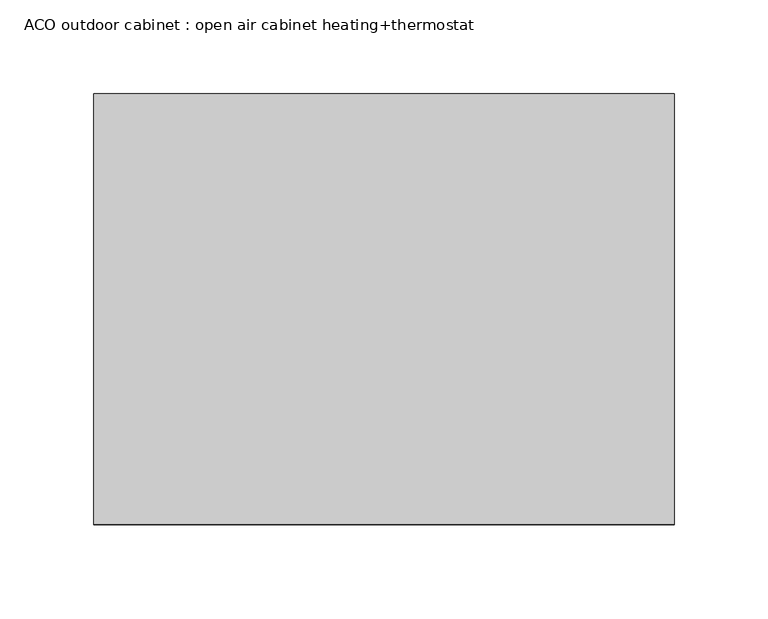
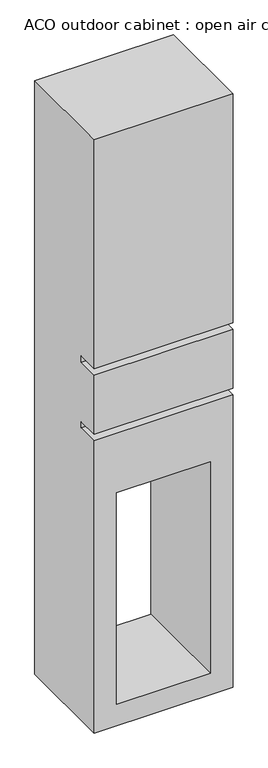
"""IFC4 building model written with IfcOpenShell, lengths in millimetres: furniture geometry, ACO outdoor cabinet : open air cabinet heating+thermostat."""

from ifc_helpers import new_model, si_unit, origin, place, context, project, spatial, faceted_brep, source, transform, mapped, element, save


def aco_outdoor_cabinet_open_air_cabinet_heating_thermostat_9f62fe86(model_context):
    return source(origin(), model_context, "Body", "Brep", [
        faceted_brep([(155.0, 0.0, 800.0), (-155.0, 0.0, 800.0), (-155.0, 0.0, 260.0), (155.0, 0.0, 260.0), (-155.0, 0.0, -600.0), (155.0, 0.0, -600.0), (155.0, 0.0, 90.0), (-155.0, 0.0, 90.0), (105.0, 0.0, -550.0), (-105.0, 0.0, -550.0), (-105.0, 0.0, -50.0), (105.0, 0.0, -50.0), (-155.0, 0.0, 245.0), (-155.0, 0.0, 105.0), (155.0, 0.0, 105.0), (155.0, 0.0, 245.0), (155.0, 230.0, 800.0), (155.0, 230.0, -600.0), (-155.0, 230.0, -600.0), (-155.0, 230.0, 800.0), (-105.0, 230.0, -550.0), (105.0, 230.0, -550.0), (105.0, 230.0, -50.0), (-105.0, 230.0, -50.0), (-155.0, 50.0, 90.0), (-155.0, 50.0, 105.0), (-155.0, 50.0, 245.0), (-155.0, 50.0, 260.0), (155.0, 50.0, 260.0), (155.0, 50.0, 245.0), (155.0, 50.0, 105.0), (155.0, 50.0, 90.0)], [[[0, 1, 2, 3]], [[4, 5, 6, 7], [8, 9, 10, 11]], [[12, 13, 14, 15]], [[16, 17, 18, 19], [20, 21, 22, 23]], [[1, 0, 16, 19]], [[19, 18, 4, 7, 24, 25, 13, 12, 26, 27, 2, 1]], [[5, 4, 18, 17]], [[17, 16, 0, 3, 28, 29, 15, 14, 30, 31, 6, 5]], [[8, 21, 20, 9]], [[21, 8, 11, 22]], [[22, 11, 10, 23]], [[9, 20, 23, 10]], [[30, 25, 24, 31]], [[28, 27, 26, 29]], [[25, 30, 14, 13]], [[31, 24, 7, 6]], [[27, 28, 3, 2]], [[29, 26, 12, 15]]]),
    ])


if __name__ == "__main__":
    model = new_model("IFC4")
    model_context = context("Model", 3, world=origin())
    ifc_project = project(units=[si_unit("LENGTHUNIT", "METRE", prefix="MILLI")], contexts=[model_context])
    site = spatial("IfcSite", under=ifc_project)
    building = spatial("IfcBuilding", under=site)
    placement = place(None, origin())
    aco_outdoor_cabinet_open_air_cabinet_heating_thermostat_shape = aco_outdoor_cabinet_open_air_cabinet_heating_thermostat_9f62fe86(model_context)
    element("IfcFurniture", 1, ObjectType="ACO outdoor cabinet : open air cabinet heating+thermostat", at=placement, inside=building, context=model_context, shape_type="MappedRepresentation", body=[
        mapped(aco_outdoor_cabinet_open_air_cabinet_heating_thermostat_shape, transform((0.0, 0.0, 0.0), x_axis=(1.0, 0.0, 0.0), y_axis=(0.0, 1.0, 0.0), z_axis=(0.0, 0.0, 1.0))),
    ])
    save(model, "model.ifc")
